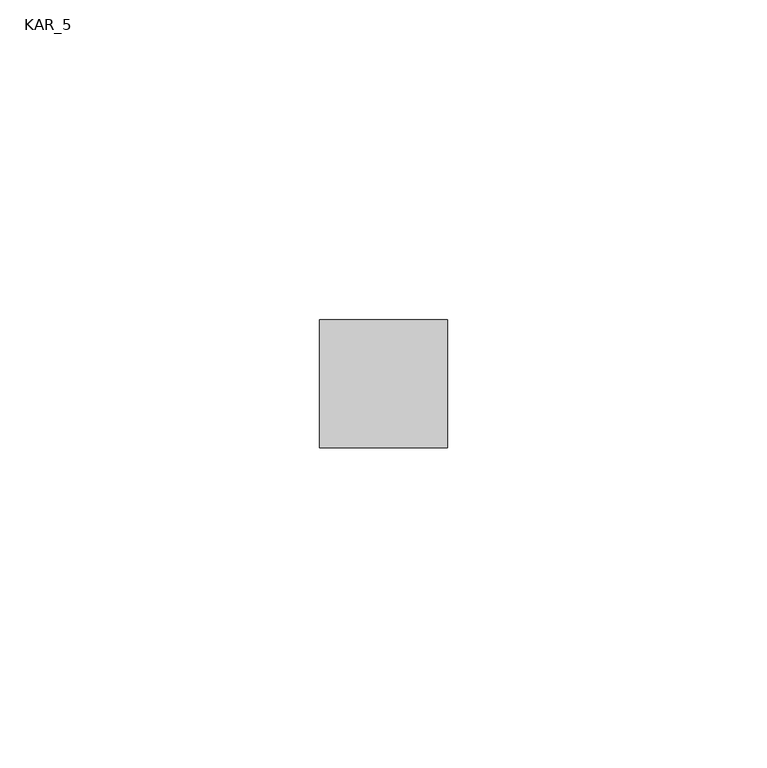
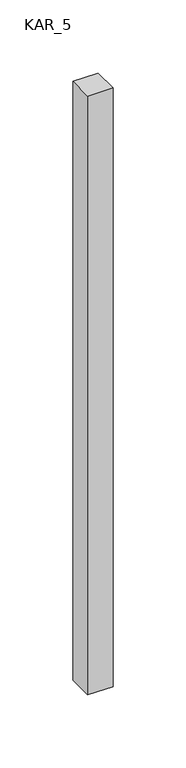
"""IFC4 building model written with IfcOpenShell, lengths in millimetres: proxy geometry, KAR_5."""

import ifcopenshell
import ifcopenshell.guid

model = None  # the IFC model being written
_history = None  # IfcOwnerHistory: only IFC2X3 demands one
_inside = {}  # id of a spatial element -> (the spatial element, [elements in it])
_under = {}  # id of a project, library or spatial element -> (it, [spatial elements below it])
_declared = {}  # id of a project -> (the project, [libraries it declares])
_typed = {}  # id of a type object -> (the type object, [elements of that type])
_made_of = {}  # id of a material, layer set ... -> (it, [elements and type objects made of it])


def new_model(schema):
    """Start an empty IFC model of exactly this schema.

    Asked for "IFC4X3", IfcOpenShell would pick the latest addendum, in which some entities
    have other attributes; the version numbers below select the first issue.
    IFC2X3 requires an IfcOwnerHistory on every rooted entity: one is made here for all.
    """
    global model, _history
    if schema == "IFC4X3":
        model = ifcopenshell.file(schema_version=(4, 3, 0, 0))
    else:
        model = ifcopenshell.file(schema=schema)
    _inside.clear()
    _under.clear()
    _declared.clear()
    _typed.clear()
    _made_of.clear()
    _history = None
    if model.schema == "IFC2X3":
        org = make("IfcOrganization", Name="unknown")
        user = make(
            "IfcPersonAndOrganization",
            ThePerson=make("IfcPerson", FamilyName="unknown"),
            TheOrganization=org,
        )
        app = make(
            "IfcApplication",
            ApplicationDeveloper=org,
            Version="unknown",
            ApplicationFullName="unknown",
            ApplicationIdentifier="unknown",
        )
        _history = make(
            "IfcOwnerHistory",
            OwningUser=user,
            OwningApplication=app,
            ChangeAction="ADDED",
            CreationDate=0,
        )
    return model


def make(cls, **values):
    """One entity of the class cls with the attributes given. An attribute that is None is left unset."""
    return model.create_entity(
        cls, **{name: value for name, value in values.items() if value is not None}
    )


def rooted(cls, **values):
    """An entity with a GlobalId (a new one), such as an element, a storey or a relation."""
    return make(cls, GlobalId=ifcopenshell.guid.new(), OwnerHistory=_history, **values)


def si_unit(unit_type, name, prefix=None):
    """IfcSIUnit, for example si_unit("LENGTHUNIT", "METRE", prefix="MILLI")."""
    return make("IfcSIUnit", UnitType=unit_type, Prefix=prefix, Name=name)


def assignment(units):
    """IfcUnitAssignment: the units of a project."""
    return None if units is None else make("IfcUnitAssignment", Units=units)


def point(xyz):
    """IfcCartesianPoint."""
    return None if xyz is None else make("IfcCartesianPoint", Coordinates=xyz)


def direction(xyz):
    """IfcDirection."""
    return None if xyz is None else make("IfcDirection", DirectionRatios=xyz)


def frame(location, z_axis=None, x_axis=None):
    """IfcAxis2Placement3D, a coordinate frame: its origin and axes. An axis left out is left unset."""
    return make(
        "IfcAxis2Placement3D",
        Location=point(location),
        Axis=direction(z_axis),
        RefDirection=direction(x_axis),
    )


def origin():
    """The frame at (0, 0, 0) with its axes left unset."""
    return frame((0.0, 0.0, 0.0))


def place(relative_to, where):
    """IfcLocalPlacement: puts the frame where relative to a parent placement (None: the world)."""
    return make(
        "IfcLocalPlacement", PlacementRelTo=relative_to, RelativePlacement=where
    )


def context(
    kind, dimensions, precision=None, world=None, true_north=None, identifier=None
):
    """IfcGeometricRepresentationContext, for example the 3D "Model" context."""
    return make(
        "IfcGeometricRepresentationContext",
        ContextIdentifier=identifier,
        ContextType=kind,
        CoordinateSpaceDimension=dimensions,
        Precision=precision,
        WorldCoordinateSystem=world,
        TrueNorth=true_north,
    )


def project(units=None, contexts=None):
    """IfcProject with its units and contexts."""
    return rooted(
        "IfcProject",
        Name="project",
        RepresentationContexts=contexts,
        UnitsInContext=assignment(units),
    )


def spatial(cls, under=None, at=None, **own):
    """A site, building, storey or space (cls), placed at a placement, below another one or the project."""
    s = rooted(cls, ObjectPlacement=at, **own)
    if under is not None:
        _under.setdefault(under.id(), (under, []))[1].append(s)
    return s


def polyline(points):
    """IfcPolyline through the points."""
    return make("IfcPolyline", Points=[point(p) for p in points])


def outline(outer, holes=None, kind="AREA"):
    """IfcArbitraryClosedProfileDef: a profile drawn as a closed curve; with holes, ...WithVoids."""
    if holes is None:
        return make("IfcArbitraryClosedProfileDef", ProfileType=kind, OuterCurve=outer)
    return make(
        "IfcArbitraryProfileDefWithVoids",
        ProfileType=kind,
        OuterCurve=outer,
        InnerCurves=holes,
    )


def extrude(swept, where, along, depth):
    """IfcExtrudedAreaSolid: the profile swept, set in the frame where, extruded along a direction by depth."""
    return make(
        "IfcExtrudedAreaSolid",
        SweptArea=swept,
        Position=where,
        ExtrudedDirection=direction(along),
        Depth=depth,
    )


def shape(context_of_items, identifier, shape_type, items):
    """IfcShapeRepresentation: the items that make up one representation, for example the "Body"."""
    return make(
        "IfcShapeRepresentation",
        ContextOfItems=context_of_items,
        RepresentationIdentifier=identifier,
        RepresentationType=shape_type,
        Items=items,
    )


def source(mapping_origin, context_of_items, identifier, shape_type, items):
    """IfcRepresentationMap: a shape defined once, which mapped items show again and again."""
    return make(
        "IfcRepresentationMap",
        MappingOrigin=mapping_origin,
        MappedRepresentation=shape(context_of_items, identifier, shape_type, items),
    )


def transform(
    local_origin,
    x_axis=None,
    y_axis=None,
    z_axis=None,
    scale=None,
    scale2=None,
    scale3=None,
    uniform=True,
):
    """IfcCartesianTransformationOperator3D, or its non-uniform kind. x_axis, y_axis, z_axis: its Axis1, 2, 3."""
    if uniform:
        return make(
            "IfcCartesianTransformationOperator3D",
            Axis1=direction(x_axis),
            Axis2=direction(y_axis),
            LocalOrigin=point(local_origin),
            Scale=scale,
            Axis3=direction(z_axis),
        )
    return make(
        "IfcCartesianTransformationOperator3DnonUniform",
        Axis1=direction(x_axis),
        Axis2=direction(y_axis),
        LocalOrigin=point(local_origin),
        Scale=scale,
        Axis3=direction(z_axis),
        Scale2=scale2,
        Scale3=scale3,
    )


def mapped(mapping_source, mapping_target):
    """IfcMappedItem: shows the shape of a source again, moved by a transform."""
    return make(
        "IfcMappedItem", MappingSource=mapping_source, MappingTarget=mapping_target
    )


def made_of(thing, what):
    """Note that an element or type object is made of a material, layer set ...; save() writes the relation."""
    if what is not None:
        _made_of.setdefault(what.id(), (what, []))[1].append(thing)
    return thing


def element(
    cls,
    number,
    at=None,
    inside=None,
    cuts=None,
    type_object=None,
    material=None,
    context=None,
    identifier="Body",
    shape_type=None,
    held_by="IfcProductDefinitionShape",
    body=None,
    shapes=None,
    **own,
):
    """One element of the class cls, such as IfcWall. Its Tag is "e" and its number.

    at: its placement. inside: the storey or other place that contains it. cuts: it is an
    opening in that element (IfcRelVoidsElement). A single representation is given by context,
    identifier, shape_type and body (its items); several are given by shapes. held_by: the class
    of the entity that holds the representations. save() writes the other relations.
    """
    e = rooted(cls, Tag="e%d" % number, ObjectPlacement=at, **own)
    if body is not None:
        shapes = [shape(context, identifier, shape_type, body)]
    if shapes is not None:
        e.Representation = make(held_by, Representations=shapes)
    if inside is not None:
        _inside.setdefault(inside.id(), (inside, []))[1].append(e)
    if cuts is not None:
        rooted(
            "IfcRelVoidsElement", RelatingBuildingElement=cuts, RelatedOpeningElement=e
        )
    if type_object is not None:
        _typed.setdefault(type_object.id(), (type_object, []))[1].append(e)
    return made_of(e, material)


def aggregate(whole, parts):
    """IfcRelAggregates: a whole, such as a stair, and the parts it consists of."""
    return rooted("IfcRelAggregates", RelatingObject=whole, RelatedObjects=parts)


def save(model, path):
    """Write the relations noted so far, then the file.

    IfcRelAggregates (storeys below a building ...), IfcRelContainedInSpatialStructure (elements
    in a storey), IfcRelDefinesByType, IfcRelAssociatesMaterial and IfcRelDeclares: one each for
    every whole, place, type object, material and project.
    """
    for whole, parts in _under.values():
        aggregate(whole, parts)
    for where, things in _inside.values():
        rooted(
            "IfcRelContainedInSpatialStructure",
            RelatedElements=things,
            RelatingStructure=where,
        )
    for kind, things in _typed.values():
        rooted("IfcRelDefinesByType", RelatedObjects=things, RelatingType=kind)
    for what, things in _made_of.values():
        rooted("IfcRelAssociatesMaterial", RelatedObjects=things, RelatingMaterial=what)
    for by, libraries in _declared.values():
        rooted("IfcRelDeclares", RelatingContext=by, RelatedDefinitions=libraries)
    model.write(path)


def kar_5_b991ee4c(model_context):
    return source(origin(), model_context, "Body", "SweptSolid", [
        extrude(outline(polyline([(20.0, 20.0), (20.0, 0.0), (0.0, 0.0), (0.0, 20.0), (20.0, 20.0)])), frame((0.0, 0.0, 2100.0), z_axis=(0.0, 0.0, 1.0), x_axis=(1.0, 0.0, 0.0)), (0.0, 0.0, 1.0), 500.0),
    ])


if __name__ == "__main__":
    model = new_model("IFC4")
    model_context = context("Model", 3, world=origin())
    ifc_project = project(units=[si_unit("LENGTHUNIT", "METRE", prefix="MILLI")], contexts=[model_context])
    site = spatial("IfcSite", under=ifc_project)
    building = spatial("IfcBuilding", under=site)
    placement = place(None, origin())
    kar_5_shape = kar_5_b991ee4c(model_context)
    element("IfcBuildingElementProxy", 1, Name="KAR_5", ObjectType="KAR_5", at=placement, inside=building, context=model_context, shape_type="MappedRepresentation", body=[
        mapped(kar_5_shape, transform((0.0, 0.0, 0.0), x_axis=(1.0, 0.0, 0.0), y_axis=(0.0, 1.0, 0.0), z_axis=(0.0, 0.0, 1.0))),
    ])
    save(model, "model.ifc")
